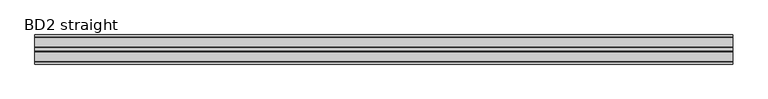
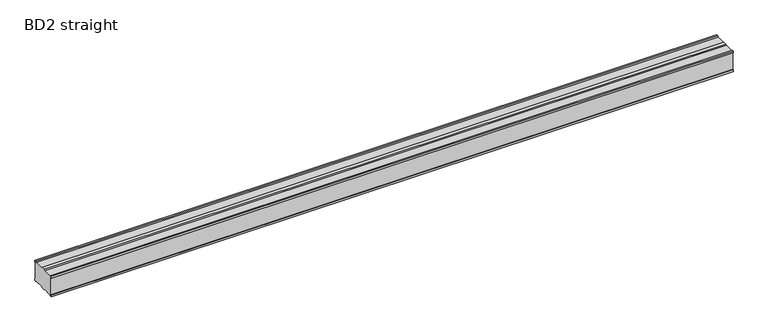
"""IFC4 building model written with IfcOpenShell, lengths in millimetres: proxy geometry, BD2 straight."""

import ifcopenshell
import ifcopenshell.guid

model = None  # the IFC model being written
_history = None  # IfcOwnerHistory: only IFC2X3 demands one
_inside = {}  # id of a spatial element -> (the spatial element, [elements in it])
_under = {}  # id of a project, library or spatial element -> (it, [spatial elements below it])
_declared = {}  # id of a project -> (the project, [libraries it declares])
_typed = {}  # id of a type object -> (the type object, [elements of that type])
_made_of = {}  # id of a material, layer set ... -> (it, [elements and type objects made of it])


def new_model(schema):
    """Start an empty IFC model of exactly this schema.

    Asked for "IFC4X3", IfcOpenShell would pick the latest addendum, in which some entities
    have other attributes; the version numbers below select the first issue.
    IFC2X3 requires an IfcOwnerHistory on every rooted entity: one is made here for all.
    """
    global model, _history
    if schema == "IFC4X3":
        model = ifcopenshell.file(schema_version=(4, 3, 0, 0))
    else:
        model = ifcopenshell.file(schema=schema)
    _inside.clear()
    _under.clear()
    _declared.clear()
    _typed.clear()
    _made_of.clear()
    _history = None
    if model.schema == "IFC2X3":
        org = make("IfcOrganization", Name="unknown")
        user = make(
            "IfcPersonAndOrganization",
            ThePerson=make("IfcPerson", FamilyName="unknown"),
            TheOrganization=org,
        )
        app = make(
            "IfcApplication",
            ApplicationDeveloper=org,
            Version="unknown",
            ApplicationFullName="unknown",
            ApplicationIdentifier="unknown",
        )
        _history = make(
            "IfcOwnerHistory",
            OwningUser=user,
            OwningApplication=app,
            ChangeAction="ADDED",
            CreationDate=0,
        )
    return model


def make(cls, **values):
    """One entity of the class cls with the attributes given. An attribute that is None is left unset."""
    return model.create_entity(
        cls, **{name: value for name, value in values.items() if value is not None}
    )


def rooted(cls, **values):
    """An entity with a GlobalId (a new one), such as an element, a storey or a relation."""
    return make(cls, GlobalId=ifcopenshell.guid.new(), OwnerHistory=_history, **values)


def si_unit(unit_type, name, prefix=None):
    """IfcSIUnit, for example si_unit("LENGTHUNIT", "METRE", prefix="MILLI")."""
    return make("IfcSIUnit", UnitType=unit_type, Prefix=prefix, Name=name)


def assignment(units):
    """IfcUnitAssignment: the units of a project."""
    return None if units is None else make("IfcUnitAssignment", Units=units)


def point(xyz):
    """IfcCartesianPoint."""
    return None if xyz is None else make("IfcCartesianPoint", Coordinates=xyz)


def direction(xyz):
    """IfcDirection."""
    return None if xyz is None else make("IfcDirection", DirectionRatios=xyz)


def frame(location, z_axis=None, x_axis=None):
    """IfcAxis2Placement3D, a coordinate frame: its origin and axes. An axis left out is left unset."""
    return make(
        "IfcAxis2Placement3D",
        Location=point(location),
        Axis=direction(z_axis),
        RefDirection=direction(x_axis),
    )


def origin():
    """The frame at (0, 0, 0) with its axes left unset."""
    return frame((0.0, 0.0, 0.0))


def place(relative_to, where):
    """IfcLocalPlacement: puts the frame where relative to a parent placement (None: the world)."""
    return make(
        "IfcLocalPlacement", PlacementRelTo=relative_to, RelativePlacement=where
    )


def context(
    kind, dimensions, precision=None, world=None, true_north=None, identifier=None
):
    """IfcGeometricRepresentationContext, for example the 3D "Model" context."""
    return make(
        "IfcGeometricRepresentationContext",
        ContextIdentifier=identifier,
        ContextType=kind,
        CoordinateSpaceDimension=dimensions,
        Precision=precision,
        WorldCoordinateSystem=world,
        TrueNorth=true_north,
    )


def project(units=None, contexts=None):
    """IfcProject with its units and contexts."""
    return rooted(
        "IfcProject",
        Name="project",
        RepresentationContexts=contexts,
        UnitsInContext=assignment(units),
    )


def spatial(cls, under=None, at=None, **own):
    """A site, building, storey or space (cls), placed at a placement, below another one or the project."""
    s = rooted(cls, ObjectPlacement=at, **own)
    if under is not None:
        _under.setdefault(under.id(), (under, []))[1].append(s)
    return s


def polyline(points):
    """IfcPolyline through the points."""
    return make("IfcPolyline", Points=[point(p) for p in points])


def outline(outer, holes=None, kind="AREA"):
    """IfcArbitraryClosedProfileDef: a profile drawn as a closed curve; with holes, ...WithVoids."""
    if holes is None:
        return make("IfcArbitraryClosedProfileDef", ProfileType=kind, OuterCurve=outer)
    return make(
        "IfcArbitraryProfileDefWithVoids",
        ProfileType=kind,
        OuterCurve=outer,
        InnerCurves=holes,
    )


def extrude(swept, where, along, depth):
    """IfcExtrudedAreaSolid: the profile swept, set in the frame where, extruded along a direction by depth."""
    return make(
        "IfcExtrudedAreaSolid",
        SweptArea=swept,
        Position=where,
        ExtrudedDirection=direction(along),
        Depth=depth,
    )


def shape(context_of_items, identifier, shape_type, items):
    """IfcShapeRepresentation: the items that make up one representation, for example the "Body"."""
    return make(
        "IfcShapeRepresentation",
        ContextOfItems=context_of_items,
        RepresentationIdentifier=identifier,
        RepresentationType=shape_type,
        Items=items,
    )


def source(mapping_origin, context_of_items, identifier, shape_type, items):
    """IfcRepresentationMap: a shape defined once, which mapped items show again and again."""
    return make(
        "IfcRepresentationMap",
        MappingOrigin=mapping_origin,
        MappedRepresentation=shape(context_of_items, identifier, shape_type, items),
    )


def transform(
    local_origin,
    x_axis=None,
    y_axis=None,
    z_axis=None,
    scale=None,
    scale2=None,
    scale3=None,
    uniform=True,
):
    """IfcCartesianTransformationOperator3D, or its non-uniform kind. x_axis, y_axis, z_axis: its Axis1, 2, 3."""
    if uniform:
        return make(
            "IfcCartesianTransformationOperator3D",
            Axis1=direction(x_axis),
            Axis2=direction(y_axis),
            LocalOrigin=point(local_origin),
            Scale=scale,
            Axis3=direction(z_axis),
        )
    return make(
        "IfcCartesianTransformationOperator3DnonUniform",
        Axis1=direction(x_axis),
        Axis2=direction(y_axis),
        LocalOrigin=point(local_origin),
        Scale=scale,
        Axis3=direction(z_axis),
        Scale2=scale2,
        Scale3=scale3,
    )


def mapped(mapping_source, mapping_target):
    """IfcMappedItem: shows the shape of a source again, moved by a transform."""
    return make(
        "IfcMappedItem", MappingSource=mapping_source, MappingTarget=mapping_target
    )


def made_of(thing, what):
    """Note that an element or type object is made of a material, layer set ...; save() writes the relation."""
    if what is not None:
        _made_of.setdefault(what.id(), (what, []))[1].append(thing)
    return thing


def element(
    cls,
    number,
    at=None,
    inside=None,
    cuts=None,
    type_object=None,
    material=None,
    context=None,
    identifier="Body",
    shape_type=None,
    held_by="IfcProductDefinitionShape",
    body=None,
    shapes=None,
    **own,
):
    """One element of the class cls, such as IfcWall. Its Tag is "e" and its number.

    at: its placement. inside: the storey or other place that contains it. cuts: it is an
    opening in that element (IfcRelVoidsElement). A single representation is given by context,
    identifier, shape_type and body (its items); several are given by shapes. held_by: the class
    of the entity that holds the representations. save() writes the other relations.
    """
    e = rooted(cls, Tag="e%d" % number, ObjectPlacement=at, **own)
    if body is not None:
        shapes = [shape(context, identifier, shape_type, body)]
    if shapes is not None:
        e.Representation = make(held_by, Representations=shapes)
    if inside is not None:
        _inside.setdefault(inside.id(), (inside, []))[1].append(e)
    if cuts is not None:
        rooted(
            "IfcRelVoidsElement", RelatingBuildingElement=cuts, RelatedOpeningElement=e
        )
    if type_object is not None:
        _typed.setdefault(type_object.id(), (type_object, []))[1].append(e)
    return made_of(e, material)


def aggregate(whole, parts):
    """IfcRelAggregates: a whole, such as a stair, and the parts it consists of."""
    return rooted("IfcRelAggregates", RelatingObject=whole, RelatedObjects=parts)


def save(model, path):
    """Write the relations noted so far, then the file.

    IfcRelAggregates (storeys below a building ...), IfcRelContainedInSpatialStructure (elements
    in a storey), IfcRelDefinesByType, IfcRelAssociatesMaterial and IfcRelDeclares: one each for
    every whole, place, type object, material and project.
    """
    for whole, parts in _under.values():
        aggregate(whole, parts)
    for where, things in _inside.values():
        rooted(
            "IfcRelContainedInSpatialStructure",
            RelatedElements=things,
            RelatingStructure=where,
        )
    for kind, things in _typed.values():
        rooted("IfcRelDefinesByType", RelatedObjects=things, RelatingType=kind)
    for what, things in _made_of.values():
        rooted("IfcRelAssociatesMaterial", RelatedObjects=things, RelatingMaterial=what)
    for by, libraries in _declared.values():
        rooted("IfcRelDeclares", RelatingContext=by, RelatedDefinitions=libraries)
    model.write(path)


def bd2_straight_4232ff67(model_context):
    return source(origin(), model_context, "Body", "SweptSolid", [
        extrude(outline(polyline([(162.0, 116.0), (162.0, 10.0), (167.0, 10.0), (167.0, 0.0), (157.0, 0.0), (152.0, 5.0), (98.5, 5.0), (93.5, 0.0), (73.5, 0.0), (68.5, 5.0), (15.0, 5.0), (10.0, 0.0), (0.0, 0.0), (0.0, 10.0), (5.0, 10.0), (5.0, 116.0), (0.0, 116.0), (0.0, 126.0), (10.0, 126.0), (15.0, 121.0), (68.5, 121.0), (73.5, 126.0), (93.5, 126.0), (98.5, 121.0), (152.0, 121.0), (157.0, 126.0), (167.0, 126.0), (167.0, 116.0), (162.0, 116.0)])), frame((0.0, 0.0, 0.0), z_axis=(1.0, 0.0, 0.0), x_axis=(0.0, 1.0, 0.0)), (0.0, 0.0, 1.0), 4000.0),
    ])


if __name__ == "__main__":
    model = new_model("IFC4")
    model_context = context("Model", 3, world=origin())
    ifc_project = project(units=[si_unit("LENGTHUNIT", "METRE", prefix="MILLI")], contexts=[model_context])
    site = spatial("IfcSite", under=ifc_project)
    building = spatial("IfcBuilding", under=site)
    placement = place(None, origin())
    bd2_straight_shape = bd2_straight_4232ff67(model_context)
    element("IfcBuildingElementProxy", 1, Name="BD2 straight", ObjectType="BD2 straight", at=placement, inside=building, context=model_context, shape_type="MappedRepresentation", body=[
        mapped(bd2_straight_shape, transform((0.0, 0.0, 0.0), x_axis=(1.0, 0.0, 0.0), y_axis=(0.0, 1.0, 0.0), z_axis=(0.0, 0.0, 1.0))),
    ])
    save(model, "model.ifc")
